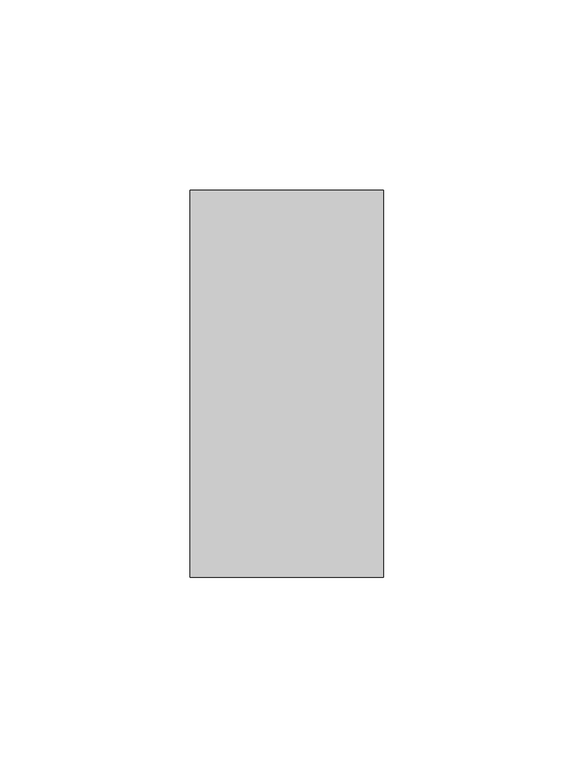
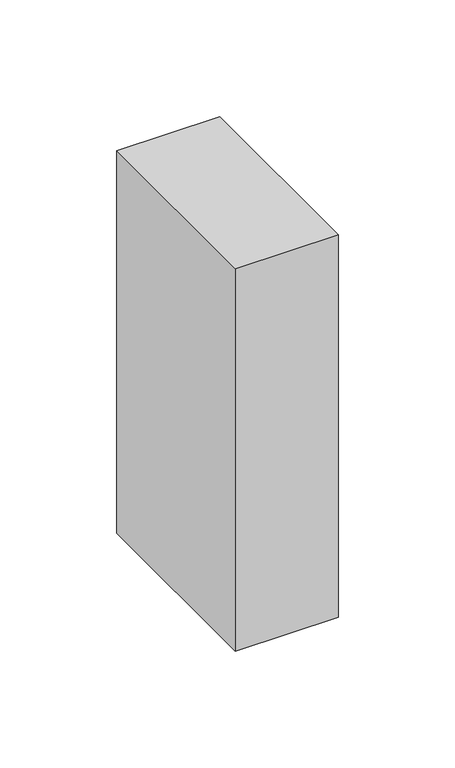
"""IFC4 building model written with IfcOpenShell, lengths in millimetres: proxy geometry."""

from ifc_helpers import new_model, si_unit, origin, origin_with_axes, place, context, project, spatial, polyline, outline, extrude, source, transform, mapped, element, save


def generic_models_f245ef4a(model_context):
    return source(origin(), model_context, "Body", "SweptSolid", [
        extrude(outline(polyline([(50.8, 0.0), (0.0, 0.0), (0.0, 101.6), (50.8, 101.6), (50.8, 0.0)])), origin_with_axes(), (0.0, 0.0, 1.0), 200.0),
    ])


if __name__ == "__main__":
    model = new_model("IFC4")
    model_context = context("Model", 3, world=origin())
    ifc_project = project(units=[si_unit("LENGTHUNIT", "METRE", prefix="MILLI")], contexts=[model_context])
    site = spatial("IfcSite", under=ifc_project)
    building = spatial("IfcBuilding", under=site)
    placement = place(None, origin())
    generic_models_shape = generic_models_f245ef4a(model_context)
    element("IfcBuildingElementProxy", 1, Name="Generic Models", at=placement, inside=building, context=model_context, shape_type="MappedRepresentation", body=[
        mapped(generic_models_shape, transform((0.0, 0.0, 0.0), x_axis=(1.0, 0.0, 0.0), y_axis=(0.0, 1.0, 0.0), z_axis=(0.0, 0.0, 1.0))),
    ])
    save(model, "model.ifc")
